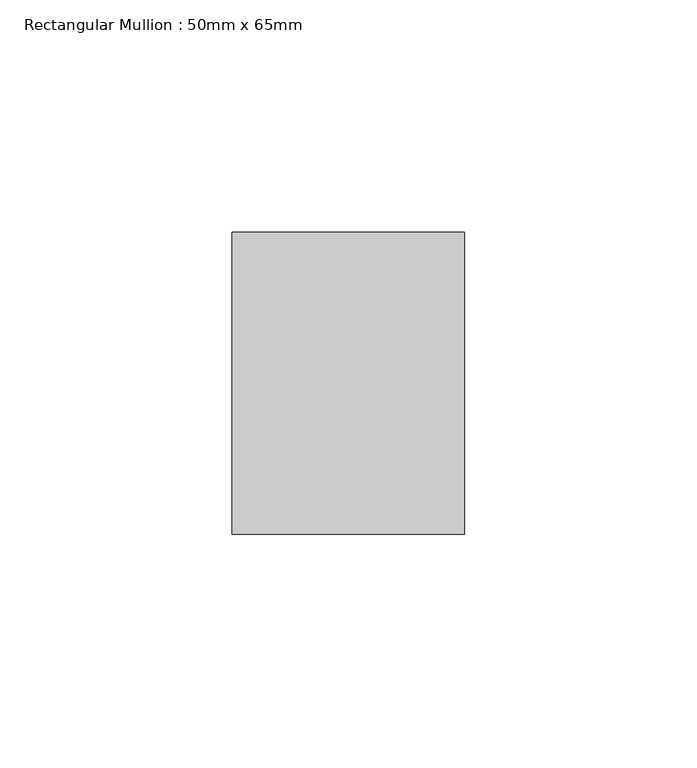
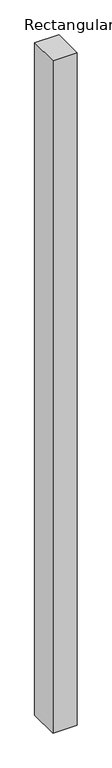
"""IFC4 building model written with IfcOpenShell, lengths in millimetres: member geometry, Rectangular Mullion : 50mm x 65mm."""

from ifc_helpers import new_model, si_unit, frame, origin, place, context, project, spatial, polyline, outline, extrude, source, transform, mapped, element, save


def rectangular_mullion_50mm_x_65mm_ca096cc7(model_context):
    return source(origin(), model_context, "Body", "SweptSolid", [
        extrude(outline(polyline([(25.0, 32.5), (25.0, -32.5), (-25.0, -32.5), (-25.0, 32.5), (25.0, 32.5)])), frame((0.0, 0.0, -1473.7163391), z_axis=(0.0, 0.0, 1.0), x_axis=(1.0, 0.0, 0.0)), (0.0, 0.0, 1.0), 1473.7163391),
    ])


if __name__ == "__main__":
    model = new_model("IFC4")
    model_context = context("Model", 3, world=origin())
    ifc_project = project(units=[si_unit("LENGTHUNIT", "METRE", prefix="MILLI")], contexts=[model_context])
    site = spatial("IfcSite", under=ifc_project)
    building = spatial("IfcBuilding", under=site)
    placement = place(None, origin())
    rectangular_mullion_50mm_x_65mm_shape = rectangular_mullion_50mm_x_65mm_ca096cc7(model_context)
    element("IfcMember", 1, ObjectType="Rectangular Mullion : 50mm x 65mm", at=placement, inside=building, context=model_context, shape_type="MappedRepresentation", body=[
        mapped(rectangular_mullion_50mm_x_65mm_shape, transform((0.0, 0.0, 0.0), x_axis=(1.0, 0.0, 0.0), y_axis=(0.0, 1.0, 0.0), z_axis=(0.0, 0.0, 1.0))),
    ])
    save(model, "model.ifc")
